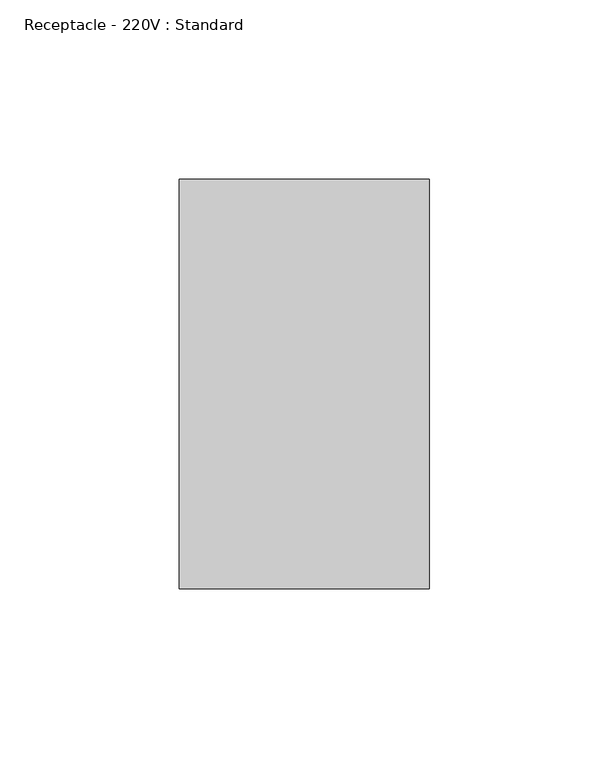
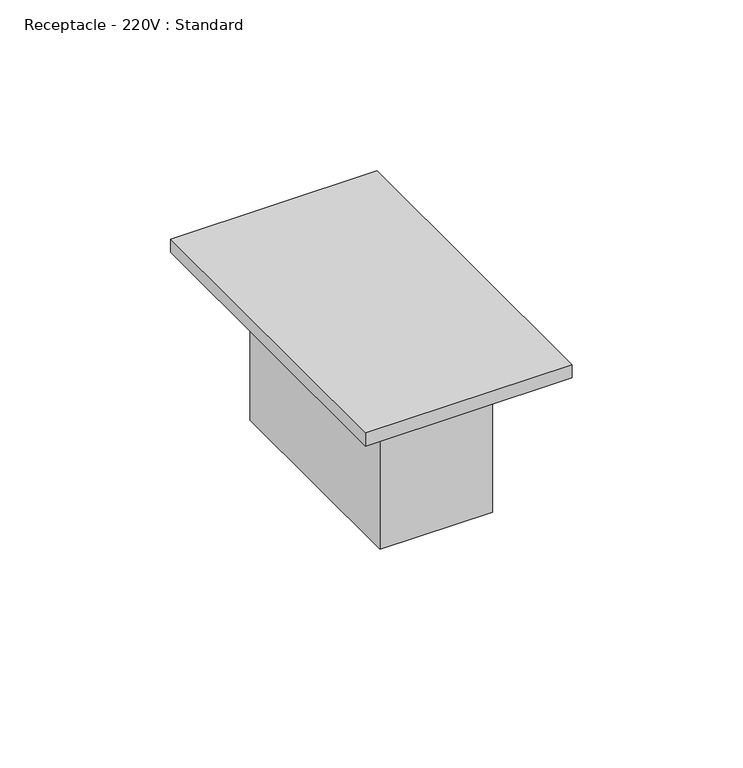
"""IFC4 building model written with IfcOpenShell, lengths in millimetres: proxy geometry, Receptacle - 220V : Standard."""

from ifc_helpers import new_model, si_unit, frame, origin, origin_with_axes, place, context, project, spatial, polyline, outline, extrude, source, transform, mapped, element, save


def receptacle_220v_standard_10251bba(model_context):
    return source(origin(), model_context, "Body", "SweptSolid", [
        extrude(outline(polyline([(19.05, 38.1), (19.05, -38.1), (-19.05, -38.1), (-19.05, 38.1), (19.05, 38.1)])), frame((0.0, 0.0, -53.975), z_axis=(0.0, 0.0, 1.0), x_axis=(1.0, 0.0, 0.0)), (0.0, 0.0, 1.0), 53.975),
        extrude(outline(polyline([(34.925, 57.15), (34.925, -57.15), (-34.925, -57.15), (-34.925, 57.15), (34.925, 57.15)])), origin_with_axes(), (0.0, 0.0, 1.0), 4.7625),
    ])


if __name__ == "__main__":
    model = new_model("IFC4")
    model_context = context("Model", 3, world=origin())
    ifc_project = project(units=[si_unit("LENGTHUNIT", "METRE", prefix="MILLI")], contexts=[model_context])
    site = spatial("IfcSite", under=ifc_project)
    building = spatial("IfcBuilding", under=site)
    placement = place(None, origin())
    receptacle_220v_standard_shape = receptacle_220v_standard_10251bba(model_context)
    element("IfcBuildingElementProxy", 1, Name="Receptacle - 220V : Standard", ObjectType="Receptacle - 220V : Standard", at=placement, inside=building, context=model_context, shape_type="MappedRepresentation", body=[
        mapped(receptacle_220v_standard_shape, transform((0.0, 0.0, 0.0), x_axis=(1.0, 0.0, 0.0), y_axis=(0.0, 1.0, 0.0), z_axis=(0.0, 0.0, 1.0))),
    ])
    save(model, "model.ifc")
